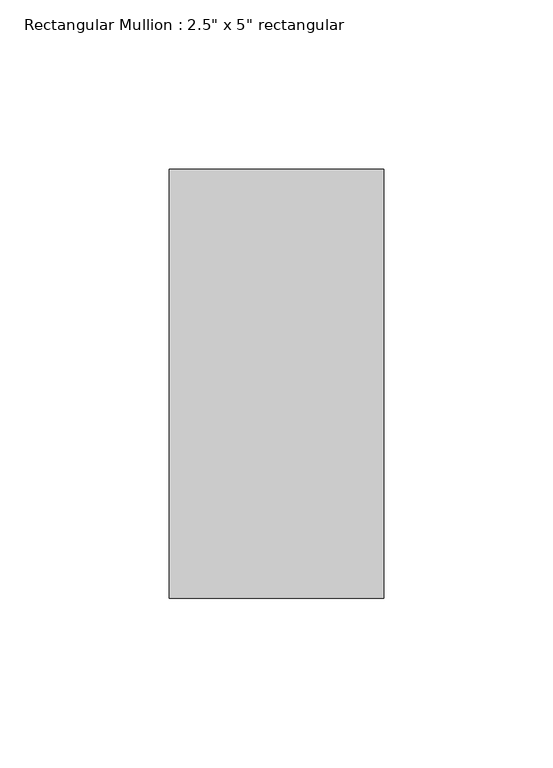
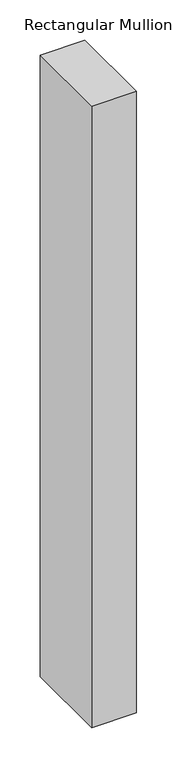
"""IFC4 building model written with IfcOpenShell, lengths in millimetres: member geometry."""

from ifc_helpers import new_model, si_unit, frame, origin, place, context, project, spatial, polyline, outline, extrude, source, transform, mapped, element, save


def member_742b83dc(model_context):
    return source(origin(), model_context, "Body", "SweptSolid", [
        extrude(outline(polyline([(0.0, 63.5), (0.0, -63.5), (-63.5, -63.5), (-63.5, 63.5), (0.0, 63.5)])), frame((0.0, 0.0, -939.1801429), z_axis=(0.0, 0.0, 1.0), x_axis=(1.0, 0.0, 0.0)), (0.0, 0.0, 1.0), 939.1801429),
    ])


if __name__ == "__main__":
    model = new_model("IFC4")
    model_context = context("Model", 3, world=origin())
    ifc_project = project(units=[si_unit("LENGTHUNIT", "METRE", prefix="MILLI")], contexts=[model_context])
    site = spatial("IfcSite", under=ifc_project)
    building = spatial("IfcBuilding", under=site)
    placement = place(None, origin())
    member_shape = member_742b83dc(model_context)
    element("IfcMember", 1, ObjectType="Rectangular Mullion : 2.5\" x 5\" rectangular", at=placement, inside=building, context=model_context, shape_type="MappedRepresentation", body=[
        mapped(member_shape, transform((0.0, 0.0, 0.0), x_axis=(1.0, 0.0, 0.0), y_axis=(0.0, 1.0, 0.0), z_axis=(0.0, 0.0, 1.0))),
    ])
    save(model, "model.ifc")
